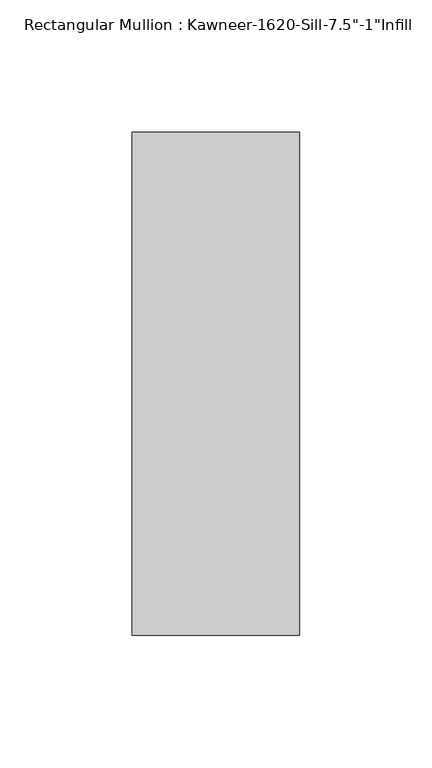
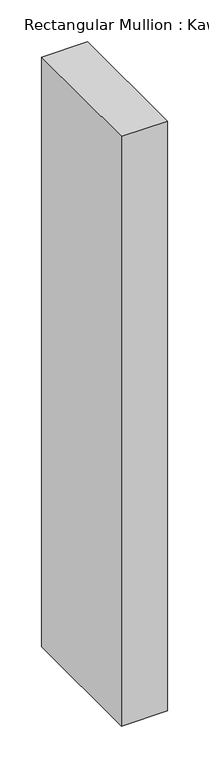
"""IFC4 building model written with IfcOpenShell, lengths in millimetres: member geometry."""

from ifc_helpers import new_model, si_unit, frame, origin, place, context, project, spatial, polyline, outline, extrude, source, transform, mapped, element, save


def member_f1a01e45(model_context):
    return source(origin(), model_context, "Body", "SweptSolid", [
        extrude(outline(polyline([(-63.5, 38.1), (0.0, 38.1), (0.0, -152.4), (-63.5, -152.4), (-63.5, 38.1)])), frame((0.0, 0.0, -860.425), z_axis=(0.0, 0.0, 1.0), x_axis=(1.0, 0.0, 0.0)), (0.0, 0.0, 1.0), 860.425),
    ])


if __name__ == "__main__":
    model = new_model("IFC4")
    model_context = context("Model", 3, world=origin())
    ifc_project = project(units=[si_unit("LENGTHUNIT", "METRE", prefix="MILLI")], contexts=[model_context])
    site = spatial("IfcSite", under=ifc_project)
    building = spatial("IfcBuilding", under=site)
    placement = place(None, origin())
    member_shape = member_f1a01e45(model_context)
    element("IfcMember", 1, ObjectType="Rectangular Mullion : Kawneer-1620-Sill-7.5\"-1\"Infill", at=placement, inside=building, context=model_context, shape_type="MappedRepresentation", body=[
        mapped(member_shape, transform((0.0, 0.0, 0.0), x_axis=(1.0, 0.0, 0.0), y_axis=(0.0, 1.0, 0.0), z_axis=(0.0, 0.0, 1.0))),
    ])
    save(model, "model.ifc")
